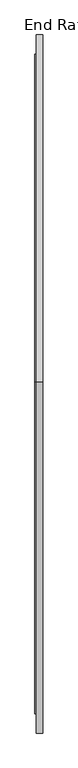
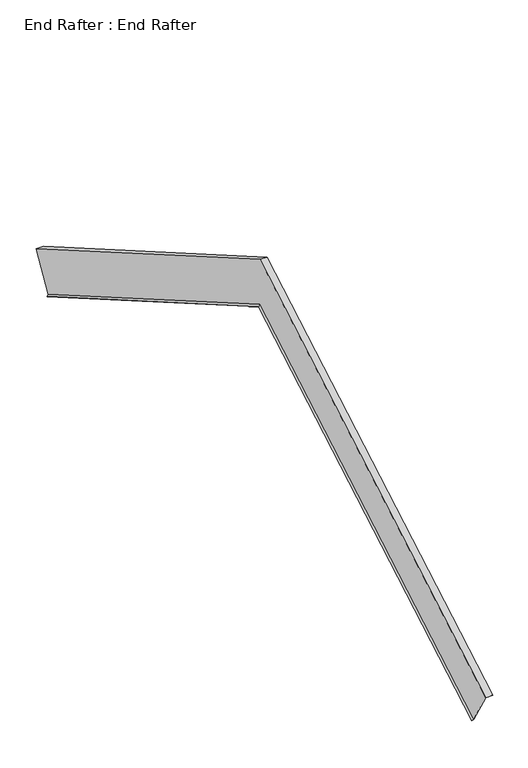
"""IFC4 building model written with IfcOpenShell, lengths in millimetres: proxy geometry, End Rafter : End Rafter."""

from ifc_helpers import new_model, si_unit, origin, place, context, project, spatial, faceted_brep, source, transform, mapped, element, save


def end_rafter_end_rafter_5dc4e0df(model_context):
    return source(origin(), model_context, "Body", "Brep", [
        faceted_brep([(8288.7791095, -22400.1819909, -229.115974), (8298.1971638, -22404.8910181, -220.9596997), (8298.1971638, -22524.1272924, -14.4364145), (8337.9052127, -22524.1272924, -14.4364145), (8337.9052127, -22524.888617, -13.1177615), (8296.6166837, -22524.888617, -13.1177615), (8296.6166837, -22405.2204248, -220.3891506), (8287.6594627, -22400.7418143, -228.1463315), (8288.7791095, -18111.3349296, -216.415974), (8287.6594627, -18110.7751062, -215.4463315), (8296.6166837, -18106.2964957, -207.6891506), (8296.6166837, -17986.6283035, -0.4177615), (8337.9052127, -17986.6283035, -0.4177615), (8337.9052127, -17987.3896281, -1.7364145), (8298.1971638, -17987.3896281, -1.7364145), (8298.1971638, -18106.6259025, -208.2596997), (8288.7791095, -20244.7599376, 1015.3175287), (8298.1971638, -20244.7599376, 1026.192561), (8298.1971638, -20244.7599376, 1301.5569414), (8337.9052127, -20244.7599376, 1301.5569414), (8337.9052127, -20244.7599376, 1303.3151453), (8296.6166837, -20244.7599376, 1303.3151453), (8296.6166837, -20244.7599376, 1026.9532933), (8287.6594627, -20244.7599376, 1016.6103854)], [[[0, 1, 2, 3, 4, 5, 6, 7]], [[8, 9, 10, 11, 12, 13, 14, 15]], [[1, 0, 16, 17]], [[2, 1, 17, 15, 14, 18]], [[3, 2, 18, 19]], [[4, 3, 19, 13, 12, 20]], [[5, 4, 20, 21]], [[6, 5, 21, 11, 10, 22]], [[7, 6, 22, 23]], [[0, 7, 23, 16]], [[17, 16, 8, 15]], [[19, 18, 14, 13]], [[21, 20, 12, 11]], [[23, 22, 10, 9]], [[16, 23, 9, 8]]]),
    ])


if __name__ == "__main__":
    model = new_model("IFC4")
    model_context = context("Model", 3, world=origin())
    ifc_project = project(units=[si_unit("LENGTHUNIT", "METRE", prefix="MILLI")], contexts=[model_context])
    site = spatial("IfcSite", under=ifc_project)
    building = spatial("IfcBuilding", under=site)
    placement = place(None, origin())
    end_rafter_end_rafter_shape = end_rafter_end_rafter_5dc4e0df(model_context)
    element("IfcBuildingElementProxy", 1, Name="End Rafter : End Rafter", ObjectType="End Rafter : End Rafter", at=placement, inside=building, context=model_context, shape_type="MappedRepresentation", body=[
        mapped(end_rafter_end_rafter_shape, transform((0.0, 0.0, 0.0), x_axis=(1.0, 0.0, 0.0), y_axis=(0.0, 1.0, 0.0), z_axis=(0.0, 0.0, 1.0))),
    ])
    save(model, "model.ifc")
